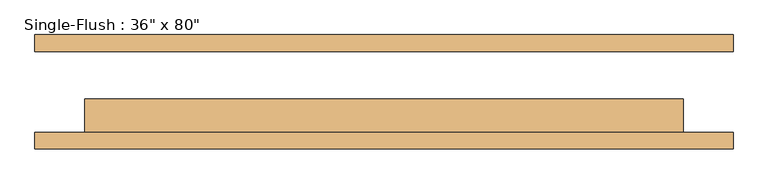
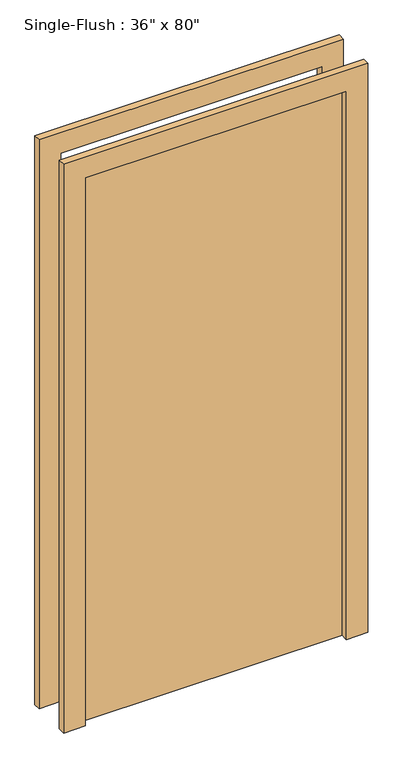
"""IFC4 building model written with IfcOpenShell, lengths in millimetres: door geometry."""

from ifc_helpers import new_model, si_unit, frame, origin, origin_with_axes, place, context, project, spatial, polyline, outline, extrude, source, transform, mapped, element, save


def door_0f3f7c0c(model_context):
    return source(origin(), model_context, "Body", "SweptSolid", [
        extrude(outline(polyline([(2108.2, -533.4), (0.0, -533.4), (0.0, -457.2), (2032.0, -457.2), (2032.0, 457.2), (0.0, 457.2), (0.0, 533.4), (2108.2, 533.4), (2108.2, -533.4)])), frame((0.0, -87.3125, 0.0), z_axis=(0.0, 1.0, 0.0), x_axis=(0.0, 0.0, 1.0)), (0.0, 0.0, 1.0), 25.4),
        extrude(outline(polyline([(2108.2, 533.4), (2108.2, -533.4), (0.0, -533.4), (0.0, -457.2), (2032.0, -457.2), (2032.0, 457.2), (0.0, 457.2), (0.0, 533.4), (2108.2, 533.4)])), frame((0.0, 61.9125, 0.0), z_axis=(0.0, 1.0, 0.0), x_axis=(0.0, 0.0, 1.0)), (0.0, 0.0, 1.0), 25.4),
        extrude(outline(polyline([(457.2, -11.1125), (457.2, -61.9125), (-457.2, -61.9125), (-457.2, -11.1125), (457.2, -11.1125)])), origin_with_axes(), (0.0, 0.0, 1.0), 2032.0),
    ])


if __name__ == "__main__":
    model = new_model("IFC4")
    model_context = context("Model", 3, world=origin())
    ifc_project = project(units=[si_unit("LENGTHUNIT", "METRE", prefix="MILLI")], contexts=[model_context])
    site = spatial("IfcSite", under=ifc_project)
    building = spatial("IfcBuilding", under=site)
    placement = place(None, origin())
    door_shape = door_0f3f7c0c(model_context)
    element("IfcDoor", 1, ObjectType="Single-Flush : 36\" x 80\"", at=placement, inside=building, context=model_context, shape_type="MappedRepresentation", body=[
        mapped(door_shape, transform((0.0, 0.0, 0.0), x_axis=(1.0, 0.0, 0.0), y_axis=(0.0, 1.0, 0.0), z_axis=(0.0, 0.0, 1.0))),
    ])
    save(model, "model.ifc")
